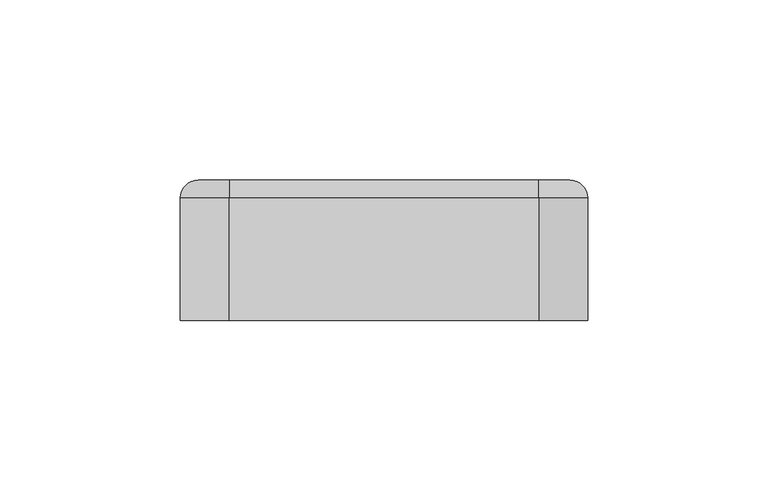
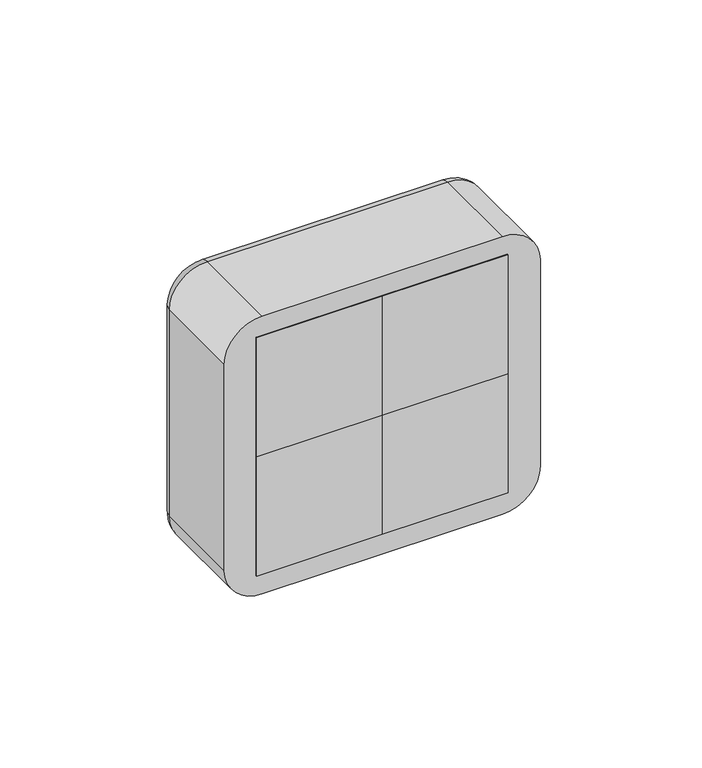
"""IFC4 building model written with IfcOpenShell, lengths in millimetres: proxy geometry."""

from ifc_helpers import new_model, si_unit, point, frame, frame_2d, origin, origin_with_axes, place, context, project, spatial, polyline, circle_curve, ellipse_curve, trimmed, segment, composite_curve, outline, extrude, source, transform, mapped, element, save
from ifc_brep_helpers import plane_surface, cylinder_surface, revolved_surface, advanced_brep


def electrical_fixtures_e578e78a(model_context):
    return source(origin(), model_context, "Body", "SolidModel", [
        advanced_brep(
        [(0.0, 39.0, 45.0), (0.0, 39.0, 0.0), (-45.0, 39.0, 0.0), (-45.0, 39.0, 45.0), (-40.5, 39.0, 22.5), (-4.5, 39.0, 22.5), (0.0, 31.0, 45.0), (-45.0, 31.0, 45.0), (-45.0, 31.0, 0.0), (0.0, 31.0, 0.0), (-29.5, 31.0, 22.5), (-34.5, 31.0, 22.5), (-10.5, 31.0, 22.5), (-15.5, 31.0, 22.5), (-40.5, 32.0, 22.5), (-4.5, 32.0, 22.5), (-34.5, 32.0, 22.5), (-29.5, 32.0, 22.5), (-15.5, 32.0, 22.5), (-10.5, 32.0, 22.5)],
        [
            (0, 1),
            (1, 2),
            (2, 3),
            (3, 0),
            (4, 5, circle_curve(frame((-22.5, 39.0, 22.5), z_axis=(0.0, -1.0, 0.0), x_axis=(1.0, 0.0, 0.0)), 18.0)),
            (5, 4, circle_curve(frame((-22.5, 39.0, 22.5), z_axis=(0.0, -1.0, 0.0), x_axis=(1.0, 0.0, 0.0)), 18.0)),
            (6, 7),
            (7, 8),
            (8, 9),
            (9, 6),
            (10, 11, circle_curve(frame((-32.0, 31.0, 22.5), z_axis=(0.0, 1.0, 0.0), x_axis=(1.0, 0.0, 0.0)), 2.5)),
            (11, 10, circle_curve(frame((-32.0, 31.0, 22.5), z_axis=(0.0, 1.0, 0.0), x_axis=(1.0, 0.0, 0.0)), 2.5)),
            (12, 13, circle_curve(frame((-13.0, 31.0, 22.5), z_axis=(0.0, 1.0, 0.0), x_axis=(1.0, 0.0, 0.0)), 2.5)),
            (13, 12, circle_curve(frame((-13.0, 31.0, 22.5), z_axis=(0.0, 1.0, 0.0), x_axis=(1.0, 0.0, 0.0)), 2.5)),
            (3, 7),
            (6, 0),
            (2, 8),
            (1, 9),
            (14, 15, circle_curve(frame((-22.5, 32.0, 22.5), z_axis=(0.0, 1.0, 0.0), x_axis=(1.0, 0.0, 0.0)), 18.0)),
            (15, 14, circle_curve(frame((-22.5, 32.0, 22.5), z_axis=(0.0, 1.0, 0.0), x_axis=(1.0, 0.0, 0.0)), 18.0)),
            (16, 17, circle_curve(frame((-32.0, 32.0, 22.5), z_axis=(0.0, -1.0, 0.0), x_axis=(1.0, 0.0, 0.0)), 2.5)),
            (17, 16, circle_curve(frame((-32.0, 32.0, 22.5), z_axis=(0.0, -1.0, 0.0), x_axis=(1.0, 0.0, 0.0)), 2.5)),
            (18, 19, circle_curve(frame((-13.0, 32.0, 22.5), z_axis=(0.0, -1.0, 0.0), x_axis=(1.0, 0.0, 0.0)), 2.5)),
            (19, 18, circle_curve(frame((-13.0, 32.0, 22.5), z_axis=(0.0, -1.0, 0.0), x_axis=(1.0, 0.0, 0.0)), 2.5)),
            (15, 5),
            (4, 14),
            (10, 17),
            (16, 11),
            (12, 19),
            (18, 13),
        ],
        [
            plane_surface(frame((-61.5, 39.0, 45.0), z_axis=(0.0, 1.0, 0.0), x_axis=(1.0, 0.0, 0.0))),
            plane_surface(frame((-61.5, 31.0, 45.0), z_axis=(0.0, -1.0, 0.0), x_axis=(-1.0, 0.0, 0.0))),
            plane_surface(frame((0.0, 31.0, 45.0), z_axis=(0.0, 0.0, 1.0), x_axis=(0.0, 1.0, 0.0))),
            plane_surface(frame((-45.0, 31.0, 45.0), z_axis=(-1.0, 0.0, 0.0), x_axis=(0.0, 1.0, 0.0))),
            plane_surface(frame((-45.0, 31.0, 0.0), z_axis=(0.0, 0.0, -1.0), x_axis=(0.0, 1.0, 0.0))),
            plane_surface(frame((0.0, 31.0, 0.0), z_axis=(1.0, 0.0, 0.0), x_axis=(0.0, 1.0, 0.0))),
            plane_surface(frame((-4.5, 32.0, 22.5), z_axis=(0.0, 1.0, 0.0), x_axis=(0.0, 0.0, 1.0))),
            revolved_surface(polyline([(-4.5, 32.0, 22.5), (-4.5, 39.0, 22.5)]), (-22.5, 39.0, 22.5), (0.0, -1.0, 0.0)),
            revolved_surface(polyline([(-29.5, 31.0, 22.5), (-29.5, 32.0, 22.5)]), (-32.0, 32.0, 22.5), (0.0, -1.0, 0.0)),
            revolved_surface(polyline([(-10.5, 31.0, 22.5), (-10.5, 32.0, 22.5)]), (-13.0, 31.0, 22.5), (0.0, -1.0, 0.0)),
        ],
        [
            (0, [[1, 2, 3, 4], [5, 6]]),
            (1, [[7, 8, 9, 10], [11, 12], [13, 14]]),
            (2, [[-4, 15, -7, 16]]),
            (3, [[-3, 17, -8, -15]]),
            (4, [[-2, 18, -9, -17]]),
            (5, [[-1, -16, -10, -18]]),
            (6, [[19, 20], [21, 22], [23, 24]]),
            (7, [[-20, 25, -5, 26]]),
            (7, [[-19, -26, -6, -25]]),
            (8, [[27, -21, 28, -11]]),
            (8, [[-27, -12, -28, -22]]),
            (9, [[29, -23, 30, -13]]),
            (9, [[-29, -14, -30, -24]]),
        ],
    ),
        extrude(outline(polyline([(0.0, 0.0), (-45.0, 0.0), (-45.0, 31.0), (0.0, 31.0), (0.0, 0.0)])), origin_with_axes(), (0.0, 0.0, 1.0), 45.0),
        extrude(outline(composite_curve([segment(polyline([(6.5, -24.0), (4.5626089, -24.0)]), True, "CONTINUOUS"), segment(trimmed(circle_curve(frame_2d((22.5, -22.5)), 18.0), [point((4.5626089, -24.0))], [point((4.5626089, -21.0))], False, "CARTESIAN"), True, "CONTINUOUS"), segment(polyline([(4.5626089, -21.0), (6.5, -21.0), (6.5, -24.0)]), True, "CONTINUOUS")], self_intersect=False)), frame((0.0, 32.0, 0.0), z_axis=(0.0, 1.0, 0.0), x_axis=(0.0, 0.0, 1.0)), (0.0, 0.0, 1.0), 6.0),
        extrude(outline(composite_curve([segment(polyline([(38.5, -24.0), (38.5, -21.0), (40.4373911, -21.0)]), True, "CONTINUOUS"), segment(trimmed(circle_curve(frame_2d((22.5, -22.5)), 18.0), [point((40.4373911, -21.0))], [point((40.4373911, -24.0))], False, "CARTESIAN"), True, "CONTINUOUS"), segment(polyline([(40.4373911, -24.0), (38.5, -24.0)]), True, "CONTINUOUS")], self_intersect=False)), frame((0.0, 32.0, 0.0), z_axis=(0.0, 1.0, 0.0), x_axis=(0.0, 0.0, 1.0)), (0.0, 0.0, 1.0), 6.0),
        extrude(outline(composite_curve([segment(polyline([(30.7462113, -6.5), (24.5, -6.5), (24.5, -4.6114562)]), True, "CONTINUOUS"), segment(trimmed(circle_curve(frame_2d((22.5, -22.5)), 18.0), [point((24.5, -4.6114562))], [point((30.7462113, -6.5))], False, "CARTESIAN"), True, "CONTINUOUS")], self_intersect=False)), frame((0.0, 32.0, 0.0), z_axis=(0.0, 1.0, 0.0), x_axis=(0.0, 0.0, 1.0)), (0.0, 0.0, 1.0), 6.0),
        extrude(outline(composite_curve([segment(trimmed(circle_curve(frame_2d((22.5, -22.5)), 18.0), [point((14.2537887, -6.5))], [point((20.5, -4.6114562))], False, "CARTESIAN"), True, "CONTINUOUS"), segment(polyline([(20.5, -4.6114562), (20.5, -6.5), (14.2537887, -6.5)]), True, "CONTINUOUS")], self_intersect=False)), frame((0.0, 32.0, 0.0), z_axis=(0.0, 1.0, 0.0), x_axis=(0.0, 0.0, 1.0)), (0.0, 0.0, 1.0), 6.0),
        extrude(outline(composite_curve([segment(polyline([(14.2537887, -38.5), (20.5, -38.5), (20.5, -40.3885438)]), True, "CONTINUOUS"), segment(trimmed(circle_curve(frame_2d((22.5, -22.5)), 18.0), [point((20.5, -40.3885438))], [point((14.2537887, -38.5))], False, "CARTESIAN"), True, "CONTINUOUS")], self_intersect=False)), frame((0.0, 32.0, 0.0), z_axis=(0.0, 1.0, 0.0), x_axis=(0.0, 0.0, 1.0)), (0.0, 0.0, 1.0), 6.0),
        extrude(outline(composite_curve([segment(trimmed(circle_curve(frame_2d((22.5, -22.5)), 18.0), [point((30.7462113, -38.5))], [point((24.5, -40.3885438))], False, "CARTESIAN"), True, "CONTINUOUS"), segment(polyline([(24.5, -40.3885438), (24.5, -38.5), (30.7462113, -38.5)]), True, "CONTINUOUS")], self_intersect=False)), frame((0.0, 32.0, 0.0), z_axis=(0.0, 1.0, 0.0), x_axis=(0.0, 0.0, 1.0)), (0.0, 0.0, 1.0), 6.0),
        advanced_brep(
        [(45.0, 39.0, 45.0), (45.0, 39.0, 0.0), (0.0, 39.0, 0.0), (0.0, 39.0, 45.0), (4.5, 39.0, 22.5), (40.5, 39.0, 22.5), (45.0, 31.0, 45.0), (0.0, 31.0, 45.0), (0.0, 31.0, 0.0), (45.0, 31.0, 0.0), (15.5, 31.0, 22.5), (10.5, 31.0, 22.5), (34.5, 31.0, 22.5), (29.5, 31.0, 22.5), (4.5, 32.0, 22.5), (40.5, 32.0, 22.5), (10.5, 32.0, 22.5), (15.5, 32.0, 22.5), (29.5, 32.0, 22.5), (34.5, 32.0, 22.5)],
        [
            (0, 1),
            (1, 2),
            (2, 3),
            (3, 0),
            (4, 5, circle_curve(frame((22.5, 39.0, 22.5), z_axis=(0.0, -1.0, 0.0), x_axis=(1.0, 0.0, 0.0)), 18.0)),
            (5, 4, circle_curve(frame((22.5, 39.0, 22.5), z_axis=(0.0, -1.0, 0.0), x_axis=(1.0, 0.0, 0.0)), 18.0)),
            (6, 7),
            (7, 8),
            (8, 9),
            (9, 6),
            (10, 11, circle_curve(frame((13.0, 31.0, 22.5), z_axis=(0.0, 1.0, 0.0), x_axis=(1.0, 0.0, 0.0)), 2.5)),
            (11, 10, circle_curve(frame((13.0, 31.0, 22.5), z_axis=(0.0, 1.0, 0.0), x_axis=(1.0, 0.0, 0.0)), 2.5)),
            (12, 13, circle_curve(frame((32.0, 31.0, 22.5), z_axis=(0.0, 1.0, 0.0), x_axis=(1.0, 0.0, 0.0)), 2.5)),
            (13, 12, circle_curve(frame((32.0, 31.0, 22.5), z_axis=(0.0, 1.0, 0.0), x_axis=(1.0, 0.0, 0.0)), 2.5)),
            (3, 7),
            (6, 0),
            (2, 8),
            (1, 9),
            (14, 15, circle_curve(frame((22.5, 32.0, 22.5), z_axis=(0.0, 1.0, 0.0), x_axis=(1.0, 0.0, 0.0)), 18.0)),
            (15, 14, circle_curve(frame((22.5, 32.0, 22.5), z_axis=(0.0, 1.0, 0.0), x_axis=(1.0, 0.0, 0.0)), 18.0)),
            (16, 17, circle_curve(frame((13.0, 32.0, 22.5), z_axis=(0.0, -1.0, 0.0), x_axis=(1.0, 0.0, 0.0)), 2.5)),
            (17, 16, circle_curve(frame((13.0, 32.0, 22.5), z_axis=(0.0, -1.0, 0.0), x_axis=(1.0, 0.0, 0.0)), 2.5)),
            (18, 19, circle_curve(frame((32.0, 32.0, 22.5), z_axis=(0.0, -1.0, 0.0), x_axis=(1.0, 0.0, 0.0)), 2.5)),
            (19, 18, circle_curve(frame((32.0, 32.0, 22.5), z_axis=(0.0, -1.0, 0.0), x_axis=(1.0, 0.0, 0.0)), 2.5)),
            (15, 5),
            (4, 14),
            (10, 17),
            (16, 11),
            (12, 19),
            (18, 13),
        ],
        [
            plane_surface(frame((-16.5, 39.0, 45.0), z_axis=(0.0, 1.0, 0.0), x_axis=(1.0, 0.0, 0.0))),
            plane_surface(frame((-16.5, 31.0, 45.0), z_axis=(0.0, -1.0, 0.0), x_axis=(-1.0, 0.0, 0.0))),
            plane_surface(frame((45.0, 31.0, 45.0), z_axis=(0.0, 0.0, 1.0), x_axis=(0.0, 1.0, 0.0))),
            plane_surface(frame((0.0, 31.0, 45.0), z_axis=(-1.0, 0.0, 0.0), x_axis=(0.0, 1.0, 0.0))),
            plane_surface(frame((0.0, 31.0, 0.0), z_axis=(0.0, 0.0, -1.0), x_axis=(0.0, 1.0, 0.0))),
            plane_surface(frame((45.0, 31.0, 0.0), z_axis=(1.0, 0.0, 0.0), x_axis=(0.0, 1.0, 0.0))),
            plane_surface(frame((40.5, 32.0, 22.5), z_axis=(0.0, 1.0, 0.0), x_axis=(0.0, 0.0, 1.0))),
            revolved_surface(polyline([(40.5, 32.0, 22.5), (40.5, 39.0, 22.5)]), (22.5, 39.0, 22.5), (0.0, -1.0, 0.0)),
            revolved_surface(polyline([(15.5, 31.0, 22.5), (15.5, 32.0, 22.5)]), (13.0, 32.0, 22.5), (0.0, -1.0, 0.0)),
            revolved_surface(polyline([(34.5, 31.0, 22.5), (34.5, 32.0, 22.5)]), (32.0, 31.0, 22.5), (0.0, -1.0, 0.0)),
        ],
        [
            (0, [[1, 2, 3, 4], [5, 6]]),
            (1, [[7, 8, 9, 10], [11, 12], [13, 14]]),
            (2, [[-4, 15, -7, 16]]),
            (3, [[-3, 17, -8, -15]]),
            (4, [[-2, 18, -9, -17]]),
            (5, [[-1, -16, -10, -18]]),
            (6, [[19, 20], [21, 22], [23, 24]]),
            (7, [[-20, 25, -5, 26]]),
            (7, [[-19, -26, -6, -25]]),
            (8, [[27, -21, 28, -11]]),
            (8, [[-27, -12, -28, -22]]),
            (9, [[29, -23, 30, -13]]),
            (9, [[-29, -14, -30, -24]]),
        ],
    ),
        extrude(outline(polyline([(45.0, 0.0), (0.0, 0.0), (0.0, 31.0), (45.0, 31.0), (45.0, 0.0)])), origin_with_axes(), (0.0, 0.0, 1.0), 45.0),
        extrude(outline(composite_curve([segment(polyline([(6.5, 21.0), (4.5626089, 21.0)]), True, "CONTINUOUS"), segment(trimmed(circle_curve(frame_2d((22.5, 22.5)), 18.0), [point((4.5626089, 21.0))], [point((4.5626089, 24.0))], False, "CARTESIAN"), True, "CONTINUOUS"), segment(polyline([(4.5626089, 24.0), (6.5, 24.0), (6.5, 21.0)]), True, "CONTINUOUS")], self_intersect=False)), frame((0.0, 32.0, 0.0), z_axis=(0.0, 1.0, 0.0), x_axis=(0.0, 0.0, 1.0)), (0.0, 0.0, 1.0), 6.0),
        extrude(outline(composite_curve([segment(polyline([(38.5, 21.0), (38.5, 24.0), (40.4373911, 24.0)]), True, "CONTINUOUS"), segment(trimmed(circle_curve(frame_2d((22.5, 22.5)), 18.0), [point((40.4373911, 24.0))], [point((40.4373911, 21.0))], False, "CARTESIAN"), True, "CONTINUOUS"), segment(polyline([(40.4373911, 21.0), (38.5, 21.0)]), True, "CONTINUOUS")], self_intersect=False)), frame((0.0, 32.0, 0.0), z_axis=(0.0, 1.0, 0.0), x_axis=(0.0, 0.0, 1.0)), (0.0, 0.0, 1.0), 6.0),
        extrude(outline(composite_curve([segment(polyline([(30.7462113, 38.5), (24.5, 38.5), (24.5, 40.3885438)]), True, "CONTINUOUS"), segment(trimmed(circle_curve(frame_2d((22.5, 22.5)), 18.0), [point((24.5, 40.3885438))], [point((30.7462113, 38.5))], False, "CARTESIAN"), True, "CONTINUOUS")], self_intersect=False)), frame((0.0, 32.0, 0.0), z_axis=(0.0, 1.0, 0.0), x_axis=(0.0, 0.0, 1.0)), (0.0, 0.0, 1.0), 6.0),
        extrude(outline(composite_curve([segment(trimmed(circle_curve(frame_2d((22.5, 22.5)), 18.0), [point((14.2537887, 38.5))], [point((20.5, 40.3885438))], False, "CARTESIAN"), True, "CONTINUOUS"), segment(polyline([(20.5, 40.3885438), (20.5, 38.5), (14.2537887, 38.5)]), True, "CONTINUOUS")], self_intersect=False)), frame((0.0, 32.0, 0.0), z_axis=(0.0, 1.0, 0.0), x_axis=(0.0, 0.0, 1.0)), (0.0, 0.0, 1.0), 6.0),
        extrude(outline(composite_curve([segment(polyline([(14.2537887, 6.5), (20.5, 6.5), (20.5, 4.6114562)]), True, "CONTINUOUS"), segment(trimmed(circle_curve(frame_2d((22.5, 22.5)), 18.0), [point((20.5, 4.6114562))], [point((14.2537887, 6.5))], False, "CARTESIAN"), True, "CONTINUOUS")], self_intersect=False)), frame((0.0, 32.0, 0.0), z_axis=(0.0, 1.0, 0.0), x_axis=(0.0, 0.0, 1.0)), (0.0, 0.0, 1.0), 6.0),
        extrude(outline(composite_curve([segment(trimmed(circle_curve(frame_2d((22.5, 22.5)), 18.0), [point((30.7462113, 6.5))], [point((24.5, 4.6114562))], False, "CARTESIAN"), True, "CONTINUOUS"), segment(polyline([(24.5, 4.6114562), (24.5, 6.5), (30.7462113, 6.5)]), True, "CONTINUOUS")], self_intersect=False)), frame((0.0, 32.0, 0.0), z_axis=(0.0, 1.0, 0.0), x_axis=(0.0, 0.0, 1.0)), (0.0, 0.0, 1.0), 6.0),
        advanced_brep(
        [(0.0, 39.0, 0.0), (0.0, 39.0, -45.0), (-45.0, 39.0, -45.0), (-45.0, 39.0, 0.0), (-40.5, 39.0, -22.5), (-4.5, 39.0, -22.5), (0.0, 31.0, 0.0), (-45.0, 31.0, 0.0), (-45.0, 31.0, -45.0), (0.0, 31.0, -45.0), (-29.5, 31.0, -22.5), (-34.5, 31.0, -22.5), (-10.5, 31.0, -22.5), (-15.5, 31.0, -22.5), (-40.5, 32.0, -22.5), (-4.5, 32.0, -22.5), (-34.5, 32.0, -22.5), (-29.5, 32.0, -22.5), (-15.5, 32.0, -22.5), (-10.5, 32.0, -22.5)],
        [
            (0, 1),
            (1, 2),
            (2, 3),
            (3, 0),
            (4, 5, circle_curve(frame((-22.5, 39.0, -22.5), z_axis=(0.0, -1.0, 0.0), x_axis=(1.0, 0.0, 0.0)), 18.0)),
            (5, 4, circle_curve(frame((-22.5, 39.0, -22.5), z_axis=(0.0, -1.0, 0.0), x_axis=(1.0, 0.0, 0.0)), 18.0)),
            (6, 7),
            (7, 8),
            (8, 9),
            (9, 6),
            (10, 11, circle_curve(frame((-32.0, 31.0, -22.5), z_axis=(0.0, 1.0, 0.0), x_axis=(1.0, 0.0, 0.0)), 2.5)),
            (11, 10, circle_curve(frame((-32.0, 31.0, -22.5), z_axis=(0.0, 1.0, 0.0), x_axis=(1.0, 0.0, 0.0)), 2.5)),
            (12, 13, circle_curve(frame((-13.0, 31.0, -22.5), z_axis=(0.0, 1.0, 0.0), x_axis=(1.0, 0.0, 0.0)), 2.5)),
            (13, 12, circle_curve(frame((-13.0, 31.0, -22.5), z_axis=(0.0, 1.0, 0.0), x_axis=(1.0, 0.0, 0.0)), 2.5)),
            (3, 7),
            (6, 0),
            (2, 8),
            (1, 9),
            (14, 15, circle_curve(frame((-22.5, 32.0, -22.5), z_axis=(0.0, 1.0, 0.0), x_axis=(1.0, 0.0, 0.0)), 18.0)),
            (15, 14, circle_curve(frame((-22.5, 32.0, -22.5), z_axis=(0.0, 1.0, 0.0), x_axis=(1.0, 0.0, 0.0)), 18.0)),
            (16, 17, circle_curve(frame((-32.0, 32.0, -22.5), z_axis=(0.0, -1.0, 0.0), x_axis=(1.0, 0.0, 0.0)), 2.5)),
            (17, 16, circle_curve(frame((-32.0, 32.0, -22.5), z_axis=(0.0, -1.0, 0.0), x_axis=(1.0, 0.0, 0.0)), 2.5)),
            (18, 19, circle_curve(frame((-13.0, 32.0, -22.5), z_axis=(0.0, -1.0, 0.0), x_axis=(1.0, 0.0, 0.0)), 2.5)),
            (19, 18, circle_curve(frame((-13.0, 32.0, -22.5), z_axis=(0.0, -1.0, 0.0), x_axis=(1.0, 0.0, 0.0)), 2.5)),
            (15, 5),
            (4, 14),
            (10, 17),
            (16, 11),
            (12, 19),
            (18, 13),
        ],
        [
            plane_surface(frame((-61.5, 39.0, 0.0), z_axis=(0.0, 1.0, 0.0), x_axis=(1.0, 0.0, 0.0))),
            plane_surface(frame((-61.5, 31.0, 0.0), z_axis=(0.0, -1.0, 0.0), x_axis=(-1.0, 0.0, 0.0))),
            plane_surface(frame((0.0, 31.0, 0.0), z_axis=(0.0, 0.0, 1.0), x_axis=(0.0, 1.0, 0.0))),
            plane_surface(frame((-45.0, 31.0, 0.0), z_axis=(-1.0, 0.0, 0.0), x_axis=(0.0, 1.0, 0.0))),
            plane_surface(frame((-45.0, 31.0, -45.0), z_axis=(0.0, 0.0, -1.0), x_axis=(0.0, 1.0, 0.0))),
            plane_surface(frame((0.0, 31.0, -45.0), z_axis=(1.0, 0.0, 0.0), x_axis=(0.0, 1.0, 0.0))),
            plane_surface(frame((-4.5, 32.0, -22.5), z_axis=(0.0, 1.0, 0.0), x_axis=(0.0, 0.0, 1.0))),
            revolved_surface(polyline([(-4.5, 32.0, -22.5), (-4.5, 39.0, -22.5)]), (-22.5, 39.0, -22.5), (0.0, -1.0, 0.0)),
            revolved_surface(polyline([(-29.5, 31.0, -22.5), (-29.5, 32.0, -22.5)]), (-32.0, 32.0, -22.5), (0.0, -1.0, 0.0)),
            revolved_surface(polyline([(-10.5, 31.0, -22.5), (-10.5, 32.0, -22.5)]), (-13.0, 31.0, -22.5), (0.0, -1.0, 0.0)),
        ],
        [
            (0, [[1, 2, 3, 4], [5, 6]]),
            (1, [[7, 8, 9, 10], [11, 12], [13, 14]]),
            (2, [[-4, 15, -7, 16]]),
            (3, [[-3, 17, -8, -15]]),
            (4, [[-2, 18, -9, -17]]),
            (5, [[-1, -16, -10, -18]]),
            (6, [[19, 20], [21, 22], [23, 24]]),
            (7, [[-20, 25, -5, 26]]),
            (7, [[-19, -26, -6, -25]]),
            (8, [[27, -21, 28, -11]]),
            (8, [[-27, -12, -28, -22]]),
            (9, [[29, -23, 30, -13]]),
            (9, [[-29, -14, -30, -24]]),
        ],
    ),
        extrude(outline(polyline([(0.0, 0.0), (-45.0, 0.0), (-45.0, 31.0), (0.0, 31.0), (0.0, 0.0)])), frame((0.0, 0.0, -45.0), z_axis=(0.0, 0.0, 1.0), x_axis=(1.0, 0.0, 0.0)), (0.0, 0.0, 1.0), 45.0),
        extrude(outline(composite_curve([segment(polyline([(-38.5, -24.0), (-40.4373911, -24.0)]), True, "CONTINUOUS"), segment(trimmed(circle_curve(frame_2d((-22.5, -22.5)), 18.0), [point((-40.4373911, -24.0))], [point((-40.4373911, -21.0))], False, "CARTESIAN"), True, "CONTINUOUS"), segment(polyline([(-40.4373911, -21.0), (-38.5, -21.0), (-38.5, -24.0)]), True, "CONTINUOUS")], self_intersect=False)), frame((0.0, 32.0, 0.0), z_axis=(0.0, 1.0, 0.0), x_axis=(0.0, 0.0, 1.0)), (0.0, 0.0, 1.0), 6.0),
        extrude(outline(composite_curve([segment(polyline([(-6.5, -24.0), (-6.5, -21.0), (-4.5626089, -21.0)]), True, "CONTINUOUS"), segment(trimmed(circle_curve(frame_2d((-22.5, -22.5)), 18.0), [point((-4.5626089, -21.0))], [point((-4.5626089, -24.0))], False, "CARTESIAN"), True, "CONTINUOUS"), segment(polyline([(-4.5626089, -24.0), (-6.5, -24.0)]), True, "CONTINUOUS")], self_intersect=False)), frame((0.0, 32.0, 0.0), z_axis=(0.0, 1.0, 0.0), x_axis=(0.0, 0.0, 1.0)), (0.0, 0.0, 1.0), 6.0),
        extrude(outline(composite_curve([segment(polyline([(-14.2537887, -6.5), (-20.5, -6.5), (-20.5, -4.6114562)]), True, "CONTINUOUS"), segment(trimmed(circle_curve(frame_2d((-22.5, -22.5)), 18.0), [point((-20.5, -4.6114562))], [point((-14.2537887, -6.5))], False, "CARTESIAN"), True, "CONTINUOUS")], self_intersect=False)), frame((0.0, 32.0, 0.0), z_axis=(0.0, 1.0, 0.0), x_axis=(0.0, 0.0, 1.0)), (0.0, 0.0, 1.0), 6.0),
        extrude(outline(composite_curve([segment(trimmed(circle_curve(frame_2d((-22.5, -22.5)), 18.0), [point((-30.7462113, -6.5))], [point((-24.5, -4.6114562))], False, "CARTESIAN"), True, "CONTINUOUS"), segment(polyline([(-24.5, -4.6114562), (-24.5, -6.5), (-30.7462113, -6.5)]), True, "CONTINUOUS")], self_intersect=False)), frame((0.0, 32.0, 0.0), z_axis=(0.0, 1.0, 0.0), x_axis=(0.0, 0.0, 1.0)), (0.0, 0.0, 1.0), 6.0),
        extrude(outline(composite_curve([segment(polyline([(-30.7462113, -38.5), (-24.5, -38.5), (-24.5, -40.3885438)]), True, "CONTINUOUS"), segment(trimmed(circle_curve(frame_2d((-22.5, -22.5)), 18.0), [point((-24.5, -40.3885438))], [point((-30.7462113, -38.5))], False, "CARTESIAN"), True, "CONTINUOUS")], self_intersect=False)), frame((0.0, 32.0, 0.0), z_axis=(0.0, 1.0, 0.0), x_axis=(0.0, 0.0, 1.0)), (0.0, 0.0, 1.0), 6.0),
        extrude(outline(composite_curve([segment(trimmed(circle_curve(frame_2d((-22.5, -22.5)), 18.0), [point((-14.2537887, -38.5))], [point((-20.5, -40.3885438))], False, "CARTESIAN"), True, "CONTINUOUS"), segment(polyline([(-20.5, -40.3885438), (-20.5, -38.5), (-14.2537887, -38.5)]), True, "CONTINUOUS")], self_intersect=False)), frame((0.0, 32.0, 0.0), z_axis=(0.0, 1.0, 0.0), x_axis=(0.0, 0.0, 1.0)), (0.0, 0.0, 1.0), 6.0),
        advanced_brep(
        [(45.0, 39.0, 0.0), (45.0, 39.0, -45.0), (0.0, 39.0, -45.0), (0.0, 39.0, 0.0), (4.5, 39.0, -22.5), (40.5, 39.0, -22.5), (45.0, 31.0, 0.0), (0.0, 31.0, 0.0), (0.0, 31.0, -45.0), (45.0, 31.0, -45.0), (15.5, 31.0, -22.5), (10.5, 31.0, -22.5), (34.5, 31.0, -22.5), (29.5, 31.0, -22.5), (4.5, 32.0, -22.5), (40.5, 32.0, -22.5), (10.5, 32.0, -22.5), (15.5, 32.0, -22.5), (29.5, 32.0, -22.5), (34.5, 32.0, -22.5)],
        [
            (0, 1),
            (1, 2),
            (2, 3),
            (3, 0),
            (4, 5, circle_curve(frame((22.5, 39.0, -22.5), z_axis=(0.0, -1.0, 0.0), x_axis=(1.0, 0.0, 0.0)), 18.0)),
            (5, 4, circle_curve(frame((22.5, 39.0, -22.5), z_axis=(0.0, -1.0, 0.0), x_axis=(1.0, 0.0, 0.0)), 18.0)),
            (6, 7),
            (7, 8),
            (8, 9),
            (9, 6),
            (10, 11, circle_curve(frame((13.0, 31.0, -22.5), z_axis=(0.0, 1.0, 0.0), x_axis=(1.0, 0.0, 0.0)), 2.5)),
            (11, 10, circle_curve(frame((13.0, 31.0, -22.5), z_axis=(0.0, 1.0, 0.0), x_axis=(1.0, 0.0, 0.0)), 2.5)),
            (12, 13, circle_curve(frame((32.0, 31.0, -22.5), z_axis=(0.0, 1.0, 0.0), x_axis=(1.0, 0.0, 0.0)), 2.5)),
            (13, 12, circle_curve(frame((32.0, 31.0, -22.5), z_axis=(0.0, 1.0, 0.0), x_axis=(1.0, 0.0, 0.0)), 2.5)),
            (3, 7),
            (6, 0),
            (2, 8),
            (1, 9),
            (14, 15, circle_curve(frame((22.5, 32.0, -22.5), z_axis=(0.0, 1.0, 0.0), x_axis=(1.0, 0.0, 0.0)), 18.0)),
            (15, 14, circle_curve(frame((22.5, 32.0, -22.5), z_axis=(0.0, 1.0, 0.0), x_axis=(1.0, 0.0, 0.0)), 18.0)),
            (16, 17, circle_curve(frame((13.0, 32.0, -22.5), z_axis=(0.0, -1.0, 0.0), x_axis=(1.0, 0.0, 0.0)), 2.5)),
            (17, 16, circle_curve(frame((13.0, 32.0, -22.5), z_axis=(0.0, -1.0, 0.0), x_axis=(1.0, 0.0, 0.0)), 2.5)),
            (18, 19, circle_curve(frame((32.0, 32.0, -22.5), z_axis=(0.0, -1.0, 0.0), x_axis=(1.0, 0.0, 0.0)), 2.5)),
            (19, 18, circle_curve(frame((32.0, 32.0, -22.5), z_axis=(0.0, -1.0, 0.0), x_axis=(1.0, 0.0, 0.0)), 2.5)),
            (15, 5),
            (4, 14),
            (10, 17),
            (16, 11),
            (12, 19),
            (18, 13),
        ],
        [
            plane_surface(frame((-16.5, 39.0, 0.0), z_axis=(0.0, 1.0, 0.0), x_axis=(1.0, 0.0, 0.0))),
            plane_surface(frame((-16.5, 31.0, 0.0), z_axis=(0.0, -1.0, 0.0), x_axis=(-1.0, 0.0, 0.0))),
            plane_surface(frame((45.0, 31.0, 0.0), z_axis=(0.0, 0.0, 1.0), x_axis=(0.0, 1.0, 0.0))),
            plane_surface(frame((0.0, 31.0, 0.0), z_axis=(-1.0, 0.0, 0.0), x_axis=(0.0, 1.0, 0.0))),
            plane_surface(frame((0.0, 31.0, -45.0), z_axis=(0.0, 0.0, -1.0), x_axis=(0.0, 1.0, 0.0))),
            plane_surface(frame((45.0, 31.0, -45.0), z_axis=(1.0, 0.0, 0.0), x_axis=(0.0, 1.0, 0.0))),
            plane_surface(frame((40.5, 32.0, -22.5), z_axis=(0.0, 1.0, 0.0), x_axis=(0.0, 0.0, 1.0))),
            revolved_surface(polyline([(40.5, 32.0, -22.5), (40.5, 39.0, -22.5)]), (22.5, 39.0, -22.5), (0.0, -1.0, 0.0)),
            revolved_surface(polyline([(15.5, 31.0, -22.5), (15.5, 32.0, -22.5)]), (13.0, 32.0, -22.5), (0.0, -1.0, 0.0)),
            revolved_surface(polyline([(34.5, 31.0, -22.5), (34.5, 32.0, -22.5)]), (32.0, 31.0, -22.5), (0.0, -1.0, 0.0)),
        ],
        [
            (0, [[1, 2, 3, 4], [5, 6]]),
            (1, [[7, 8, 9, 10], [11, 12], [13, 14]]),
            (2, [[-4, 15, -7, 16]]),
            (3, [[-3, 17, -8, -15]]),
            (4, [[-2, 18, -9, -17]]),
            (5, [[-1, -16, -10, -18]]),
            (6, [[19, 20], [21, 22], [23, 24]]),
            (7, [[-20, 25, -5, 26]]),
            (7, [[-19, -26, -6, -25]]),
            (8, [[27, -21, 28, -11]]),
            (8, [[-27, -12, -28, -22]]),
            (9, [[29, -23, 30, -13]]),
            (9, [[-29, -14, -30, -24]]),
        ],
    ),
        extrude(outline(polyline([(45.0, 0.0), (0.0, 0.0), (0.0, 31.0), (45.0, 31.0), (45.0, 0.0)])), frame((0.0, 0.0, -45.0), z_axis=(0.0, 0.0, 1.0), x_axis=(1.0, 0.0, 0.0)), (0.0, 0.0, 1.0), 45.0),
        extrude(outline(composite_curve([segment(polyline([(-38.5, 21.0), (-40.4373911, 21.0)]), True, "CONTINUOUS"), segment(trimmed(circle_curve(frame_2d((-22.5, 22.5)), 18.0), [point((-40.4373911, 21.0))], [point((-40.4373911, 24.0))], False, "CARTESIAN"), True, "CONTINUOUS"), segment(polyline([(-40.4373911, 24.0), (-38.5, 24.0), (-38.5, 21.0)]), True, "CONTINUOUS")], self_intersect=False)), frame((0.0, 32.0, 0.0), z_axis=(0.0, 1.0, 0.0), x_axis=(0.0, 0.0, 1.0)), (0.0, 0.0, 1.0), 6.0),
        extrude(outline(composite_curve([segment(polyline([(-6.5, 21.0), (-6.5, 24.0), (-4.5626089, 24.0)]), True, "CONTINUOUS"), segment(trimmed(circle_curve(frame_2d((-22.5, 22.5)), 18.0), [point((-4.5626089, 24.0))], [point((-4.5626089, 21.0))], False, "CARTESIAN"), True, "CONTINUOUS"), segment(polyline([(-4.5626089, 21.0), (-6.5, 21.0)]), True, "CONTINUOUS")], self_intersect=False)), frame((0.0, 32.0, 0.0), z_axis=(0.0, 1.0, 0.0), x_axis=(0.0, 0.0, 1.0)), (0.0, 0.0, 1.0), 6.0),
        extrude(outline(composite_curve([segment(polyline([(-14.2537887, 38.5), (-20.5, 38.5), (-20.5, 40.3885438)]), True, "CONTINUOUS"), segment(trimmed(circle_curve(frame_2d((-22.5, 22.5)), 18.0), [point((-20.5, 40.3885438))], [point((-14.2537887, 38.5))], False, "CARTESIAN"), True, "CONTINUOUS")], self_intersect=False)), frame((0.0, 32.0, 0.0), z_axis=(0.0, 1.0, 0.0), x_axis=(0.0, 0.0, 1.0)), (0.0, 0.0, 1.0), 6.0),
        extrude(outline(composite_curve([segment(trimmed(circle_curve(frame_2d((-22.5, 22.5)), 18.0), [point((-30.7462113, 38.5))], [point((-24.5, 40.3885438))], False, "CARTESIAN"), True, "CONTINUOUS"), segment(polyline([(-24.5, 40.3885438), (-24.5, 38.5), (-30.7462113, 38.5)]), True, "CONTINUOUS")], self_intersect=False)), frame((0.0, 32.0, 0.0), z_axis=(0.0, 1.0, 0.0), x_axis=(0.0, 0.0, 1.0)), (0.0, 0.0, 1.0), 6.0),
        extrude(outline(composite_curve([segment(polyline([(-30.7462113, 6.5), (-24.5, 6.5), (-24.5, 4.6114562)]), True, "CONTINUOUS"), segment(trimmed(circle_curve(frame_2d((-22.5, 22.5)), 18.0), [point((-24.5, 4.6114562))], [point((-30.7462113, 6.5))], False, "CARTESIAN"), True, "CONTINUOUS")], self_intersect=False)), frame((0.0, 32.0, 0.0), z_axis=(0.0, 1.0, 0.0), x_axis=(0.0, 0.0, 1.0)), (0.0, 0.0, 1.0), 6.0),
        extrude(outline(composite_curve([segment(trimmed(circle_curve(frame_2d((-22.5, 22.5)), 18.0), [point((-14.2537887, 6.5))], [point((-20.5, 4.6114562))], False, "CARTESIAN"), True, "CONTINUOUS"), segment(polyline([(-20.5, 4.6114562), (-20.5, 6.5), (-14.2537887, 6.5)]), True, "CONTINUOUS")], self_intersect=False)), frame((0.0, 32.0, 0.0), z_axis=(0.0, 1.0, 0.0), x_axis=(0.0, 0.0, 1.0)), (0.0, 0.0, 1.0), 6.0),
        advanced_brep(
        [(42.9328665, 39.0, 47.5), (51.5, 39.0, 38.9328665), (51.5, 39.0, -38.9328665), (42.9328665, 39.0, -47.5), (-42.9328665, 39.0, -47.5), (-51.5, 39.0, -38.9328665), (-51.5, 39.0, 38.9328665), (-42.9328665, 39.0, 47.5), (45.0, 39.0, 45.0), (-45.0, 39.0, 45.0), (-45.0, 39.0, -45.0), (45.0, 39.0, -45.0), (-42.9328665, 0.0, 52.5), (-56.5, 0.0, 38.9328665), (-56.5, 0.0, -38.9328665), (-42.9328665, 0.0, -52.5), (42.9328665, 0.0, -52.5), (56.5, 0.0, -38.9328665), (56.5, 0.0, 38.9328665), (42.9328665, 0.0, 52.5), (45.0, 2.0, -45.0), (45.0, 2.0, 45.0), (-45.0, 2.0, -45.0), (-45.0, 2.0, 45.0), (-56.5, 34.0, 38.9328665), (-56.5, 34.0, -38.9328665), (-42.9328665, 34.0, -52.5), (42.9328665, 34.0, -52.5), (56.5, 34.0, -38.9328665), (56.5, 34.0, 38.9328665), (42.9328665, 34.0000072, 52.5), (-42.9328665, 34.0, 52.5)],
        [
            (0, 1, circle_curve(frame((42.9328665, 39.0, 38.9328665), z_axis=(0.0, 1.0, 0.0), x_axis=(0.0, 0.0, 1.0)), 8.5671335)),
            (1, 2),
            (2, 3, circle_curve(frame((42.9328665, 39.0, -38.9328665), z_axis=(0.0, 1.0, 0.0), x_axis=(1.0, 0.0, 0.0)), 8.5671335)),
            (3, 4),
            (4, 5, circle_curve(frame((-42.9328665, 39.0, -38.9328665), z_axis=(0.0, 1.0, 0.0), x_axis=(0.0, 0.0, -1.0)), 8.5671335)),
            (5, 6),
            (6, 7, circle_curve(frame((-42.9328665, 39.0, 38.9328665), z_axis=(0.0, 1.0, 0.0), x_axis=(-1.0, 0.0, 0.0)), 8.5671335)),
            (7, 0),
            (8, 9),
            (9, 10),
            (10, 11),
            (11, 8),
            (12, 13, circle_curve(frame((-42.9328665, 0.0, 38.9328665), z_axis=(0.0, -1.0, 0.0), x_axis=(1.0, 0.0, 0.0)), 13.5671335)),
            (13, 14),
            (14, 15, circle_curve(frame((-42.9328665, 0.0, -38.9328665), z_axis=(0.0, -1.0, 0.0), x_axis=(1.0, 0.0, 0.0)), 13.5671335)),
            (15, 16),
            (16, 17, circle_curve(frame((42.9328665, 0.0, -38.9328665), z_axis=(0.0, -1.0, 0.0), x_axis=(1.0, 0.0, 0.0)), 13.5671335)),
            (17, 18),
            (18, 19, circle_curve(frame((42.9328665, 0.0, 38.9328665), z_axis=(0.0, -1.0, 0.0), x_axis=(1.0, 0.0, 0.0)), 13.5671335)),
            (19, 12),
            (11, 20),
            (20, 21),
            (21, 8),
            (10, 22),
            (22, 20),
            (9, 23),
            (23, 22),
            (21, 23),
            (13, 24),
            (24, 25),
            (25, 14),
            (15, 26),
            (26, 27),
            (27, 16),
            (17, 28),
            (28, 29),
            (29, 18),
            (19, 30),
            (30, 31),
            (31, 12),
            (31, 24, circle_curve(frame((-42.9328665, 34.0, 38.9328665), z_axis=(0.0, -1.0, 0.0), x_axis=(1.0, 0.0, 0.0)), 13.5671335)),
            (25, 26, circle_curve(frame((-42.9328665, 34.0, -38.9328665), z_axis=(0.0, -1.0, 0.0), x_axis=(1.0, 0.0, 0.0)), 13.5671335)),
            (27, 28, circle_curve(frame((42.9328665, 34.0, -38.9328665), z_axis=(0.0, -1.0, 0.0), x_axis=(1.0, 0.0, 0.0)), 13.5671335)),
            (29, 30, circle_curve(frame((42.9328665, 34.0, 38.9328665), z_axis=(0.0, -1.0, 0.0), x_axis=(1.0, 0.0, 0.0)), 13.5671335)),
            (29, 1, circle_curve(frame((51.5, 34.0, 38.9328665), z_axis=(0.0, 0.0, 1.0), x_axis=(0.0, 1.0, 0.0)), 5.0)),
            (0, 30, circle_curve(frame((42.9328665, 34.0, 47.5), z_axis=(1.0, 0.0, 0.0), x_axis=(0.0, 1.0, 0.0)), 5.0)),
            (28, 2, circle_curve(frame((51.5, 34.0, -38.9328665), z_axis=(0.0, 0.0, 1.0), x_axis=(0.0, 1.0, 0.0)), 5.0)),
            (27, 3, circle_curve(frame((42.9328665, 34.0, -47.5), z_axis=(1.0, 0.0, 0.0), x_axis=(0.0, 1.0, 0.0)), 5.0)),
            (26, 4, circle_curve(frame((-42.9328665, 34.0, -47.5), z_axis=(1.0, 0.0, 0.0), x_axis=(0.0, 1.0, 0.0)), 5.0)),
            (25, 5, circle_curve(frame((-51.5, 34.0, -38.9328665), z_axis=(0.0, 0.0, -1.0), x_axis=(0.0, 1.0, 0.0)), 5.0)),
            (24, 6, circle_curve(frame((-51.5, 34.0, 38.9328665), z_axis=(0.0, 0.0, -1.0), x_axis=(0.0, 1.0, 0.0)), 5.0)),
            (31, 7, circle_curve(frame((-42.9328665, 34.0, 47.5), z_axis=(-1.0, 0.0, 0.0), x_axis=(0.0, 1.0, 0.0)), 5.0)),
        ],
        [
            plane_surface(frame((45.0, 39.0, 6.9412233), z_axis=(0.0, 1.0, 0.0), x_axis=(0.0, 0.0, 1.0))),
            plane_surface(frame((45.0, 0.0, 6.9412233), z_axis=(0.0, -1.0, 0.0), x_axis=(0.0, 0.0, -1.0))),
            plane_surface(frame((45.0, 0.0, 45.0), z_axis=(-1.0, 0.0, 0.0), x_axis=(0.0, 1.0, 0.0))),
            plane_surface(frame((45.0, 0.0, -45.0), z_axis=(0.0, 0.0, 1.0), x_axis=(0.0, 1.0, 0.0))),
            plane_surface(frame((-45.0, 0.0, -45.0), z_axis=(1.0, 0.0, 0.0), x_axis=(0.0, 1.0, 0.0))),
            plane_surface(frame((-45.0, 0.0, 45.0), z_axis=(0.0, 0.0, -1.0), x_axis=(0.0, 1.0, 0.0))),
            plane_surface(frame((-56.5, 0.0, 38.9328665), z_axis=(-1.0, 0.0, 0.0), x_axis=(0.0, 1.0, 0.0))),
            plane_surface(frame((-42.9328665, 0.0, -52.5), z_axis=(0.0, 0.0, -1.0), x_axis=(0.0, 1.0, 0.0))),
            plane_surface(frame((56.5, 0.0, -38.9328665), z_axis=(1.0, 0.0, 0.0), x_axis=(0.0, 1.0, 0.0))),
            plane_surface(frame((42.9328665, 0.0, 52.5), z_axis=(0.0, 0.0, 1.0), x_axis=(0.0, 1.0, 0.0))),
            cylinder_surface(frame((-42.9328665, 0.0, 38.9328665), z_axis=(0.0, -1.0, 0.0), x_axis=(1.0, 0.0, 0.0)), 13.5671335),
            cylinder_surface(frame((-42.9328665, 0.0, -38.9328665), z_axis=(0.0, -1.0, 0.0), x_axis=(1.0, 0.0, 0.0)), 13.5671335),
            cylinder_surface(frame((42.9328665, 0.0, -38.9328665), z_axis=(0.0, -1.0, 0.0), x_axis=(1.0, 0.0, 0.0)), 13.5671335),
            cylinder_surface(frame((42.9328665, 0.0, 38.9328665), z_axis=(0.0, -1.0, 0.0), x_axis=(1.0, 0.0, 0.0)), 13.5671335),
            plane_surface(frame((-45.0, 2.0, 22.5), z_axis=(0.0, 1.0, 0.0), x_axis=(0.0, 0.0, 1.0))),
            revolved_surface(trimmed(ellipse_curve(frame((42.9328665, 34.0, 47.5), z_axis=(-1.0, 0.0, 0.0), x_axis=(0.0, 1.0, 0.0)), 5.0, 5.0), [point((42.9328665, 34.0, 52.5))], [point((42.9328665, 39.0, 47.5))], True, "CARTESIAN"), (42.9328665, 39.0, 38.9328665), (0.0, 1.0, 0.0)),
            cylinder_surface(frame((51.5, 34.0, 38.9328665), z_axis=(0.0, 0.0, -1.0), x_axis=(0.0, 1.0, 0.0)), 5.0),
            revolved_surface(trimmed(ellipse_curve(frame((51.5, 34.0, -38.9328665), z_axis=(0.0, 0.0, 1.0), x_axis=(0.0, 1.0, 0.0)), 5.0, 5.0), [point((56.5, 34.0, -38.9328665))], [point((51.5, 39.0, -38.9328665))], True, "CARTESIAN"), (42.9328665, 39.0, -38.9328665), (0.0, 1.0, 0.0)),
            cylinder_surface(frame((42.9328665, 34.0, -47.5), z_axis=(-1.0, 0.0, 0.0), x_axis=(0.0, 1.0, 0.0)), 5.0),
            revolved_surface(trimmed(ellipse_curve(frame((-42.9328665, 34.0, -47.5), z_axis=(1.0, 0.0, 0.0), x_axis=(0.0, 1.0, 0.0)), 5.0, 5.0), [point((-42.9328665, 34.0, -52.5))], [point((-42.9328665, 39.0, -47.5))], True, "CARTESIAN"), (-42.9328665, 39.0, -38.9328665), (0.0, 1.0, 0.0)),
            cylinder_surface(frame((-51.5, 34.0, -38.9328665), z_axis=(0.0, 0.0, 1.0), x_axis=(0.0, 1.0, 0.0)), 5.0),
            revolved_surface(trimmed(ellipse_curve(frame((-51.5, 34.0, 38.9328665), z_axis=(0.0, 0.0, -1.0), x_axis=(0.0, 1.0, 0.0)), 5.0, 5.0), [point((-56.5, 34.0, 38.9328665))], [point((-51.5, 39.0, 38.9328665))], True, "CARTESIAN"), (-42.9328665, 39.0, 38.9328665), (0.0, 1.0, 0.0)),
            cylinder_surface(frame((-42.9328665, 34.0, 47.5), z_axis=(1.0, 0.0, 0.0), x_axis=(0.0, 1.0, 0.0)), 5.0),
        ],
        [
            (0, [[1, 2, 3, 4, 5, 6, 7, 8], [9, 10, 11, 12]]),
            (1, [[13, 14, 15, 16, 17, 18, 19, 20]]),
            (2, [[-12, 21, 22, 23]]),
            (3, [[-11, 24, 25, -21]]),
            (4, [[-10, 26, 27, -24]]),
            (5, [[-9, -23, 28, -26]]),
            (6, [[-14, 29, 30, 31]]),
            (7, [[-16, 32, 33, 34]]),
            (8, [[-18, 35, 36, 37]]),
            (9, [[-20, 38, 39, 40]]),
            (10, [[-13, -40, 41, -29]]),
            (11, [[-15, -31, 42, -32]]),
            (12, [[-17, -34, 43, -35]]),
            (13, [[-19, -37, 44, -38]]),
            (14, [[-22, -25, -27, -28]]),
            (15, [[45, -1, 46, -44]]),
            (16, [[-45, -36, 47, -2]]),
            (17, [[-47, -43, 48, -3]]),
            (18, [[-48, -33, 49, -4]]),
            (19, [[-49, -42, 50, -5]]),
            (20, [[-50, -30, 51, -6]]),
            (21, [[-51, -41, 52, -7]]),
            (22, [[-46, -8, -52, -39]]),
        ],
    ),
    ])


if __name__ == "__main__":
    model = new_model("IFC4")
    model_context = context("Model", 3, world=origin())
    ifc_project = project(units=[si_unit("LENGTHUNIT", "METRE", prefix="MILLI")], contexts=[model_context])
    site = spatial("IfcSite", under=ifc_project)
    building = spatial("IfcBuilding", under=site)
    placement = place(None, origin())
    electrical_fixtures_shape = electrical_fixtures_e578e78a(model_context)
    element("IfcBuildingElementProxy", 1, Name="Electrical Fixtures", at=placement, inside=building, context=model_context, shape_type="MappedRepresentation", body=[
        mapped(electrical_fixtures_shape, transform((0.0, 0.0, 0.0), x_axis=(1.0, 0.0, 0.0), y_axis=(0.0, 1.0, 0.0), z_axis=(0.0, 0.0, 1.0))),
    ])
    save(model, "model.ifc")
